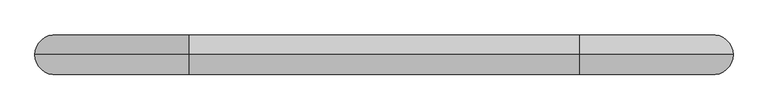
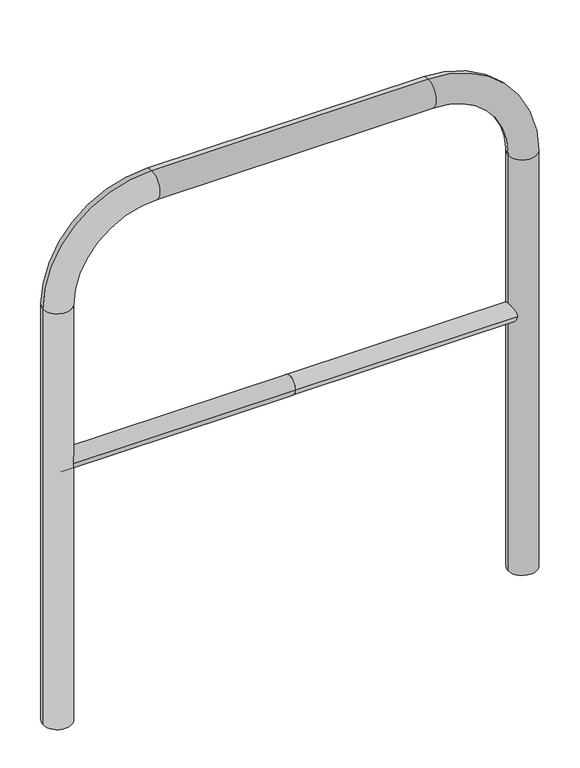
"""IFC4 building model written with IfcOpenShell, lengths in millimetres: proxy geometry."""

from ifc_helpers import new_model, si_unit, point, frame, frame_2d, origin, place, context, project, spatial, circle_curve, ellipse_curve, trimmed, segment, composite_curve, outline, extrude, source, transform, mapped, element, save
from ifc_brep_helpers import plane_surface, cylinder_surface, revolved_surface, advanced_brep


def generic_models_2d67b96c(model_context):
    return source(origin(), model_context, "Body", "SolidModel", [
        extrude(outline(composite_curve([segment(trimmed(circle_curve(frame_2d((0.0, 498.4778375)), 20.0), [point((-20.0, 498.4778375))], [point((20.0, 498.4778375))], False, "CARTESIAN"), True, "CONTINUOUS"), segment(trimmed(circle_curve(frame_2d((0.0, 498.4778375)), 20.0), [point((20.0, 498.4778375))], [point((-20.0, 498.4778375))], False, "CARTESIAN"), True, "CONTINUOUS")], self_intersect=False)), frame((-492.7101336, 0.0, 0.0), z_axis=(1.0, 0.0, 0.0), x_axis=(0.0, 1.0, 0.0)), (0.0, 0.0, 1.0), 492.7101336),
        extrude(outline(composite_curve([segment(trimmed(circle_curve(frame_2d((0.0, 498.4778375)), 20.0), [point((-20.0, 498.4778375))], [point((20.0, 498.4778375))], False, "CARTESIAN"), True, "CONTINUOUS"), segment(trimmed(circle_curve(frame_2d((0.0, 498.4778375)), 20.0), [point((20.0, 498.4778375))], [point((-20.0, 498.4778375))], False, "CARTESIAN"), True, "CONTINUOUS")], self_intersect=False)), frame((0.0, 0.0, 0.0), z_axis=(1.0, 0.0, 0.0), x_axis=(0.0, 1.0, 0.0)), (0.0, 0.0, 1.0), 492.7101336),
        advanced_brep(
        [(-462.7101336, 0.0, -80.0), (-522.7101336, 0.0, -80.0), (-462.7101336, 0.0, 850.0), (-522.7101336, 0.0, 850.0), (-292.7101336, 0.0, 1080.0), (-292.7101336, 0.0, 1020.0), (292.7101336, 0.0, 1020.0), (292.7101336, 0.0, 1080.0), (522.7101336, 0.0, 850.0), (462.7101336, 0.0, 850.0), (462.7101336, 0.0, -80.0), (522.7101336, 0.0, -80.0)],
        [
            (0, 1, circle_curve(frame((-492.7101336, 0.0, -80.0), z_axis=(0.0, 0.0, -1.0), x_axis=(-1.0, 0.0, 0.0)), 30.0)),
            (1, 0, circle_curve(frame((-492.7101336, 0.0, -80.0), z_axis=(0.0, 0.0, -1.0), x_axis=(-1.0, 0.0, 0.0)), 30.0)),
            (0, 2),
            (2, 3, circle_curve(frame((-492.7101336, 0.0, 850.0), z_axis=(0.0, 0.0, -1.0), x_axis=(-1.0, 0.0, 0.0)), 30.0)),
            (3, 1),
            (3, 2, circle_curve(frame((-492.7101336, 0.0, 850.0), z_axis=(0.0, 0.0, -1.0), x_axis=(-1.0, 0.0, 0.0)), 30.0)),
            (4, 3, circle_curve(frame((-292.7101336, 0.0, 850.0), z_axis=(0.0, -1.0, 0.0), x_axis=(-1.0, 0.0, 0.0)), 230.0)),
            (2, 5, circle_curve(frame((-292.7101336, 0.0, 850.0), z_axis=(0.0, 1.0, 0.0), x_axis=(-1.0, 0.0, 0.0)), 170.0)),
            (5, 4, circle_curve(frame((-292.7101336, 0.0, 1050.0), z_axis=(-1.0, 0.0, 0.0), x_axis=(0.0, 0.0, 1.0)), 30.0)),
            (4, 5, circle_curve(frame((-292.7101336, 0.0, 1050.0), z_axis=(-1.0, 0.0, 0.0), x_axis=(0.0, 0.0, 1.0)), 30.0)),
            (5, 6),
            (6, 7, circle_curve(frame((292.7101336, 0.0, 1050.0), z_axis=(-1.0, 0.0, 0.0), x_axis=(0.0, 0.0, 1.0)), 30.0)),
            (7, 4),
            (7, 6, circle_curve(frame((292.7101336, 0.0, 1050.0), z_axis=(-1.0, 0.0, 0.0), x_axis=(0.0, 0.0, 1.0)), 30.0)),
            (8, 7, circle_curve(frame((292.7101336, 0.0, 850.0), z_axis=(0.0, -1.0, 0.0), x_axis=(0.0, 0.0, 1.0)), 230.0)),
            (6, 9, circle_curve(frame((292.7101336, 0.0, 850.0), z_axis=(0.0, 1.0, 0.0), x_axis=(0.0, 0.0, 1.0)), 170.0)),
            (9, 8, circle_curve(frame((492.7101336, 0.0, 850.0), z_axis=(0.0, 0.0, 1.0), x_axis=(1.0, 0.0, 0.0)), 30.0)),
            (8, 9, circle_curve(frame((492.7101336, 0.0, 850.0), z_axis=(0.0, 0.0, 1.0), x_axis=(1.0, 0.0, 0.0)), 30.0)),
            (10, 11, circle_curve(frame((492.7101336, 0.0, -80.0), z_axis=(0.0, 0.0, -1.0), x_axis=(1.0, 0.0, 0.0)), 30.0)),
            (11, 10, circle_curve(frame((492.7101336, 0.0, -80.0), z_axis=(0.0, 0.0, -1.0), x_axis=(1.0, 0.0, 0.0)), 30.0)),
            (9, 10),
            (11, 8),
        ],
        [
            plane_surface(frame((-492.7101336, 0.0, -80.0), z_axis=(0.0, 0.0, -1.0), x_axis=(0.0, -1.0, 0.0))),
            cylinder_surface(frame((-492.7101336, 0.0, -80.0), z_axis=(0.0, 0.0, -1.0), x_axis=(-1.0, 0.0, 0.0)), 30.0),
            revolved_surface(trimmed(ellipse_curve(frame((-492.7101336, 0.0, 850.0), z_axis=(0.0, 0.0, -1.0), x_axis=(-1.0, 0.0, 0.0)), 30.0, 30.0), [point((-462.7101336, 0.0, 850.0))], [point((-522.7101336, 0.0, 850.0))], True, "CARTESIAN"), (-292.7101336, 0.0, 850.0), (0.0, 1.0, 0.0)),
            revolved_surface(trimmed(ellipse_curve(frame((-492.7101336, 0.0, 850.0), z_axis=(0.0, 0.0, -1.0), x_axis=(-1.0, 0.0, 0.0)), 30.0, 30.0), [point((-522.7101336, 0.0, 850.0))], [point((-462.7101336, 0.0, 850.0))], True, "CARTESIAN"), (-292.7101336, 0.0, 850.0), (0.0, 1.0, 0.0)),
            cylinder_surface(frame((-292.7101336, 0.0, 1050.0), z_axis=(-1.0, 0.0, 0.0), x_axis=(0.0, 0.0, 1.0)), 30.0),
            revolved_surface(trimmed(ellipse_curve(frame((292.7101336, 0.0, 1050.0), z_axis=(-1.0, 0.0, 0.0), x_axis=(0.0, 0.0, 1.0)), 30.0, 30.0), [point((292.7101336, 0.0, 1020.0))], [point((292.7101336, 0.0, 1080.0))], True, "CARTESIAN"), (292.7101336, 0.0, 850.0), (0.0, 1.0, 0.0)),
            revolved_surface(trimmed(ellipse_curve(frame((292.7101336, 0.0, 1050.0), z_axis=(-1.0, 0.0, 0.0), x_axis=(0.0, 0.0, 1.0)), 30.0, 30.0), [point((292.7101336, 0.0, 1080.0))], [point((292.7101336, 0.0, 1020.0))], True, "CARTESIAN"), (292.7101336, 0.0, 850.0), (0.0, 1.0, 0.0)),
            plane_surface(frame((492.7101336, 0.0, -80.0), z_axis=(0.0, 0.0, -1.0), x_axis=(0.0, -1.0, 0.0))),
            cylinder_surface(frame((492.7101336, 0.0, 850.0), z_axis=(0.0, 0.0, 1.0), x_axis=(1.0, 0.0, 0.0)), 30.0),
        ],
        [
            (0, [[1, 2]]),
            (1, [[-1, 3, 4, 5]]),
            (1, [[-2, -5, 6, -3]]),
            (2, [[7, -4, 8, 9]]),
            (3, [[-8, -6, -7, 10]]),
            (4, [[-9, 11, 12, 13]]),
            (4, [[-10, -13, 14, -11]]),
            (5, [[15, -12, 16, 17]]),
            (6, [[-16, -14, -15, 18]]),
            (7, [[19, 20]]),
            (8, [[-17, 21, -20, 22]]),
            (8, [[-18, -22, -19, -21]]),
        ],
    ),
    ])


if __name__ == "__main__":
    model = new_model("IFC4")
    model_context = context("Model", 3, world=origin())
    ifc_project = project(units=[si_unit("LENGTHUNIT", "METRE", prefix="MILLI")], contexts=[model_context])
    site = spatial("IfcSite", under=ifc_project)
    building = spatial("IfcBuilding", under=site)
    placement = place(None, origin())
    generic_models_shape = generic_models_2d67b96c(model_context)
    element("IfcBuildingElementProxy", 1, Name="Generic Models", at=placement, inside=building, context=model_context, shape_type="MappedRepresentation", body=[
        mapped(generic_models_shape, transform((0.0, 0.0, 0.0), x_axis=(1.0, 0.0, 0.0), y_axis=(0.0, 1.0, 0.0), z_axis=(0.0, 0.0, 1.0))),
    ])
    save(model, "model.ifc")
